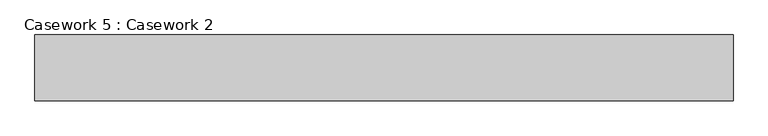
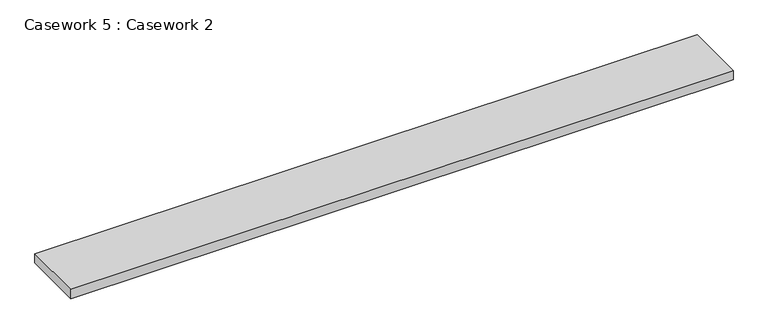
"""IFC4 building model written with IfcOpenShell, lengths in millimetres: furniture geometry, Casework 5 : Casework 2."""

from ifc_helpers import new_model, si_unit, frame, origin, place, context, project, spatial, polyline, outline, extrude, source, transform, mapped, element, save


def casework_5_casework_2_70e2713f(model_context):
    return source(origin(), model_context, "Body", "SweptSolid", [
        extrude(outline(polyline([(-142322.2794078, 19619.915723), (-142322.2794078, 19293.9861016), (-145786.2044078, 19293.9861016), (-145786.2044078, 19619.915723), (-142322.2794078, 19619.915723)])), frame((0.0, 0.0, 995.2155416), z_axis=(0.0, 0.0, 1.0), x_axis=(1.0, 0.0, 0.0)), (0.0, 0.0, 1.0), 51.1844584),
    ])


if __name__ == "__main__":
    model = new_model("IFC4")
    model_context = context("Model", 3, world=origin())
    ifc_project = project(units=[si_unit("LENGTHUNIT", "METRE", prefix="MILLI")], contexts=[model_context])
    site = spatial("IfcSite", under=ifc_project)
    building = spatial("IfcBuilding", under=site)
    placement = place(None, origin())
    casework_5_casework_2_shape = casework_5_casework_2_70e2713f(model_context)
    element("IfcFurniture", 1, ObjectType="Casework 5 : Casework 2", at=placement, inside=building, context=model_context, shape_type="MappedRepresentation", body=[
        mapped(casework_5_casework_2_shape, transform((0.0, 0.0, 0.0), x_axis=(1.0, 0.0, 0.0), y_axis=(0.0, 1.0, 0.0), z_axis=(0.0, 0.0, 1.0))),
    ])
    save(model, "model.ifc")
